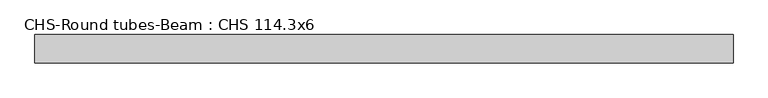
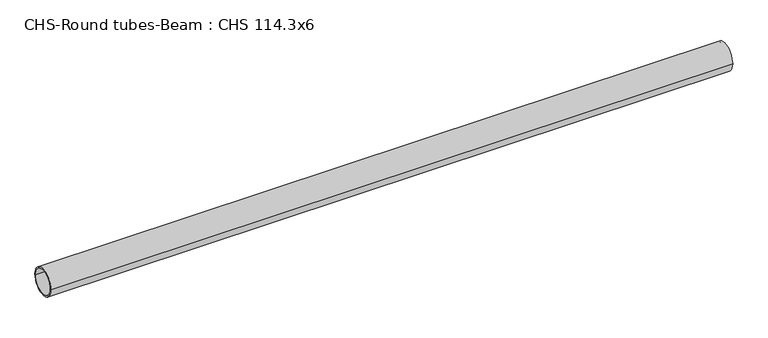
"""IFC4 building model written with IfcOpenShell, lengths in millimetres: beam geometry, CHS-Round tubes-Beam : CHS 114.3x6."""

from ifc_helpers import new_model, si_unit, point, frame, origin, origin_2d, place, context, project, spatial, circle_curve, trimmed, segment, composite_curve, outline, extrude, source, transform, mapped, element, save


def chs_round_tubes_beam_chs_114_3x6_af51c8ce(model_context):
    return source(origin(), model_context, "Body", "SweptSolid", [
        extrude(outline(composite_curve([segment(trimmed(circle_curve(origin_2d(), 57.15), [point((57.15, 0.0))], [point((-57.15, 0.0))], False, "CARTESIAN"), True, "CONTINUOUS"), segment(trimmed(circle_curve(origin_2d(), 57.15), [point((-57.15, 0.0))], [point((57.15, 0.0))], False, "CARTESIAN"), True, "CONTINUOUS")], self_intersect=False), holes=[composite_curve([segment(trimmed(circle_curve(origin_2d(), 51.15), [point((51.15, 0.0))], [point((-51.15, 0.0))], True, "CARTESIAN"), True, "CONTINUOUS"), segment(trimmed(circle_curve(origin_2d(), 51.15), [point((-51.15, 0.0))], [point((51.15, 0.0))], True, "CARTESIAN"), True, "CONTINUOUS")], self_intersect=False)]), frame((-1413.63653, 0.0, 0.0), z_axis=(1.0, 0.0, 0.0), x_axis=(0.0, 1.0, 0.0)), (0.0, 0.0, 1.0), 2830.3967499),
    ])


if __name__ == "__main__":
    model = new_model("IFC4")
    model_context = context("Model", 3, world=origin())
    ifc_project = project(units=[si_unit("LENGTHUNIT", "METRE", prefix="MILLI")], contexts=[model_context])
    site = spatial("IfcSite", under=ifc_project)
    building = spatial("IfcBuilding", under=site)
    placement = place(None, origin())
    chs_round_tubes_beam_chs_114_3x6_shape = chs_round_tubes_beam_chs_114_3x6_af51c8ce(model_context)
    element("IfcBeam", 1, ObjectType="CHS-Round tubes-Beam : CHS 114.3x6", at=placement, inside=building, context=model_context, shape_type="MappedRepresentation", body=[
        mapped(chs_round_tubes_beam_chs_114_3x6_shape, transform((0.0, 0.0, 0.0), x_axis=(1.0, 0.0, 0.0), y_axis=(0.0, 1.0, 0.0), z_axis=(0.0, 0.0, 1.0))),
    ])
    save(model, "model.ifc")
